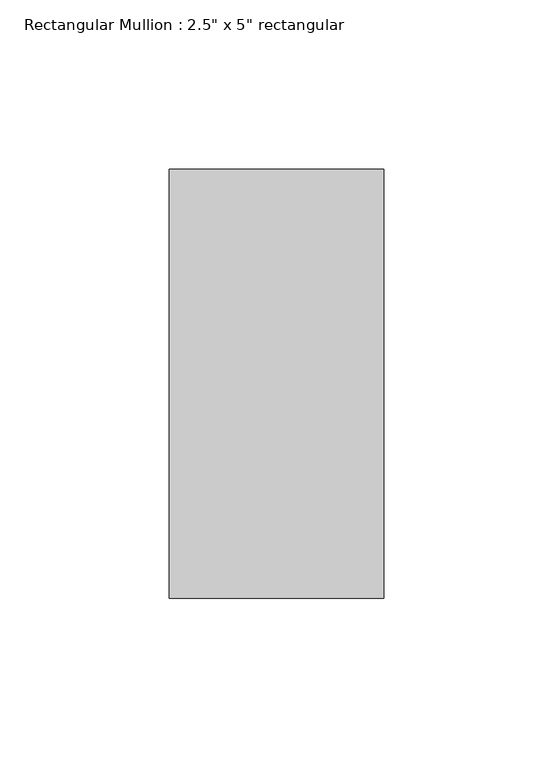
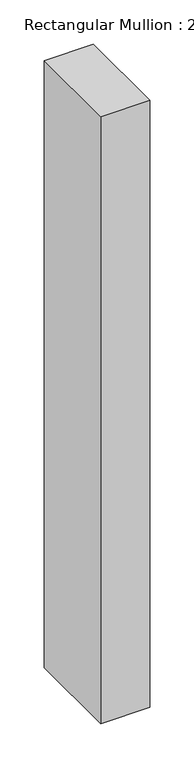
"""IFC4 building model written with IfcOpenShell, lengths in millimetres: member geometry."""

from ifc_helpers import new_model, si_unit, frame, origin, place, context, project, spatial, polyline, outline, extrude, source, transform, mapped, element, save


def member_75cbcf44(model_context):
    return source(origin(), model_context, "Body", "SweptSolid", [
        extrude(outline(polyline([(0.0, 63.5), (0.0, -63.5), (-63.5, -63.5), (-63.5, 63.5), (0.0, 63.5)])), frame((0.0, 0.0, -834.9), z_axis=(0.0, 0.0, 1.0), x_axis=(1.0, 0.0, 0.0)), (0.0, 0.0, 1.0), 834.9),
    ])


if __name__ == "__main__":
    model = new_model("IFC4")
    model_context = context("Model", 3, world=origin())
    ifc_project = project(units=[si_unit("LENGTHUNIT", "METRE", prefix="MILLI")], contexts=[model_context])
    site = spatial("IfcSite", under=ifc_project)
    building = spatial("IfcBuilding", under=site)
    placement = place(None, origin())
    member_shape = member_75cbcf44(model_context)
    element("IfcMember", 1, ObjectType="Rectangular Mullion : 2.5\" x 5\" rectangular", at=placement, inside=building, context=model_context, shape_type="MappedRepresentation", body=[
        mapped(member_shape, transform((0.0, 0.0, 0.0), x_axis=(1.0, 0.0, 0.0), y_axis=(0.0, 1.0, 0.0), z_axis=(0.0, 0.0, 1.0))),
    ])
    save(model, "model.ifc")
